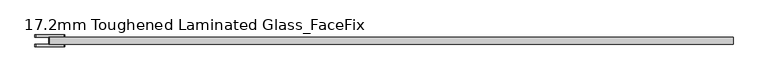
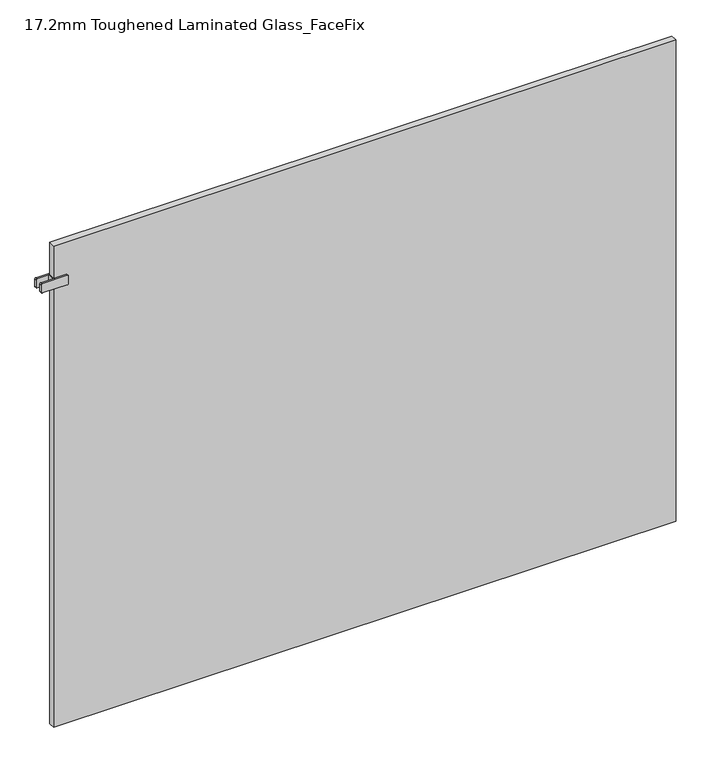
"""IFC4 building model written with IfcOpenShell, lengths in millimetres: plate geometry, 17.2mm Toughened Laminated Glass_FaceFix."""

from ifc_helpers import new_model, si_unit, point, frame, frame_2d, origin, origin_with_axes, place, context, project, spatial, polyline, circle_curve, trimmed, segment, composite_curve, outline, extrude, source, transform, mapped, element, save


def plate_17_2mm_toughened_laminated_glass_facefix_d35ddf1a(model_context):
    return source(origin(), model_context, "Body", "SweptSolid", [
        extrude(outline(polyline([(-797.5000001, -40.6), (-797.5000001, -23.4), (-792.5000001, -23.4), (-792.5000001, -40.6), (-797.5000001, -40.6)])), frame((0.0, 0.0, 1187.5), z_axis=(0.0, 0.0, 1.0), x_axis=(1.0, 0.0, 0.0)), (0.0, 0.0, 1.0), 25.0),
        extrude(outline(composite_curve([segment(trimmed(circle_curve(frame_2d((1190.5, -763.0000001)), 3.0), [point((1187.5, -763.0000001))], [point((1190.5, -760.0000001))], False, "CARTESIAN"), True, "CONTINUOUS"), segment(polyline([(1190.5, -760.0000001), (1209.5, -760.0000001)]), True, "CONTINUOUS"), segment(trimmed(circle_curve(frame_2d((1209.5, -763.0000001)), 3.0), [point((1209.5, -760.0000001))], [point((1212.5, -763.0000001))], False, "CARTESIAN"), True, "CONTINUOUS"), segment(polyline([(1212.5, -763.0000001), (1212.5, -827.0000001)]), True, "CONTINUOUS"), segment(trimmed(circle_curve(frame_2d((1209.5, -827.0000001)), 3.0), [point((1212.5, -827.0000001))], [point((1209.5, -830.0000001))], False, "CARTESIAN"), True, "CONTINUOUS"), segment(polyline([(1209.5, -830.0000001), (1190.5, -830.0000001)]), True, "CONTINUOUS"), segment(trimmed(circle_curve(frame_2d((1190.5, -827.0000001)), 3.0), [point((1190.5, -830.0000001))], [point((1187.5, -827.0000001))], False, "CARTESIAN"), True, "CONTINUOUS"), segment(polyline([(1187.5, -827.0000001), (1187.5, -763.0000001)]), True, "CONTINUOUS")], self_intersect=False)), frame((0.0, -23.4, 0.0), z_axis=(0.0, 1.0, 0.0), x_axis=(0.0, 0.0, 1.0)), (0.0, 0.0, 1.0), 5.0),
        extrude(outline(composite_curve([segment(trimmed(circle_curve(frame_2d((1190.5, -763.0000001)), 3.0), [point((1187.5, -763.0000001))], [point((1190.5, -760.0000001))], False, "CARTESIAN"), True, "CONTINUOUS"), segment(polyline([(1190.5, -760.0000001), (1209.5, -760.0000001)]), True, "CONTINUOUS"), segment(trimmed(circle_curve(frame_2d((1209.5, -763.0000001)), 3.0), [point((1209.5, -760.0000001))], [point((1212.5, -763.0000001))], False, "CARTESIAN"), True, "CONTINUOUS"), segment(polyline([(1212.5, -763.0000001), (1212.5, -827.0000001)]), True, "CONTINUOUS"), segment(trimmed(circle_curve(frame_2d((1209.5, -827.0000001)), 3.0), [point((1212.5, -827.0000001))], [point((1209.5, -830.0000001))], False, "CARTESIAN"), True, "CONTINUOUS"), segment(polyline([(1209.5, -830.0000001), (1190.5, -830.0000001)]), True, "CONTINUOUS"), segment(trimmed(circle_curve(frame_2d((1190.5, -827.0000001)), 3.0), [point((1190.5, -830.0000001))], [point((1187.5, -827.0000001))], False, "CARTESIAN"), True, "CONTINUOUS"), segment(polyline([(1187.5, -827.0000001), (1187.5, -763.0000001)]), True, "CONTINUOUS")], self_intersect=False)), frame((0.0, -45.6, 0.0), z_axis=(0.0, 1.0, 0.0), x_axis=(0.0, 0.0, 1.0)), (0.0, 0.0, 1.0), 5.0),
        extrude(outline(polyline([(795.0000001, -23.4), (795.0000001, -40.6), (-795.0000001, -40.6), (-795.0000001, -23.4), (795.0000001, -23.4)])), origin_with_axes(), (0.0, 0.0, 1.0), 1300.0),
    ])


if __name__ == "__main__":
    model = new_model("IFC4")
    model_context = context("Model", 3, world=origin())
    ifc_project = project(units=[si_unit("LENGTHUNIT", "METRE", prefix="MILLI")], contexts=[model_context])
    site = spatial("IfcSite", under=ifc_project)
    building = spatial("IfcBuilding", under=site)
    placement = place(None, origin())
    plate_17_2mm_toughened_laminated_glass_facefix_shape = plate_17_2mm_toughened_laminated_glass_facefix_d35ddf1a(model_context)
    element("IfcPlate", 1, ObjectType="17.2mm Toughened Laminated Glass_FaceFix", at=placement, inside=building, context=model_context, shape_type="MappedRepresentation", body=[
        mapped(plate_17_2mm_toughened_laminated_glass_facefix_shape, transform((0.0, 0.0, 0.0), x_axis=(1.0, 0.0, 0.0), y_axis=(0.0, 1.0, 0.0), z_axis=(0.0, 0.0, 1.0))),
    ])
    save(model, "model.ifc")
